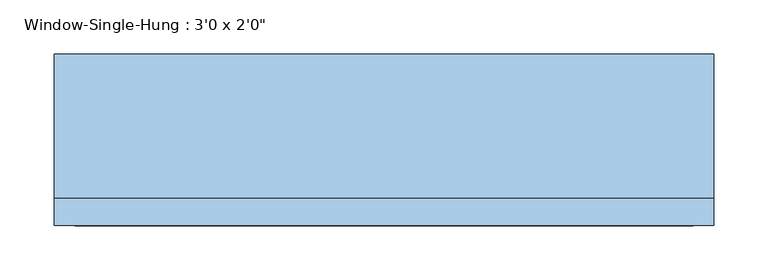
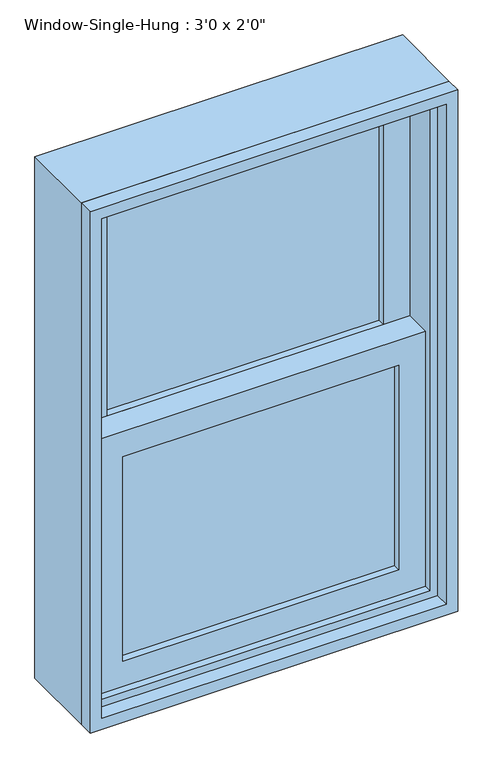
"""IFC4 building model written with IfcOpenShell, lengths in millimetres: window geometry."""

from ifc_helpers import new_model, si_unit, frame, origin, place, context, project, spatial, polyline, outline, extrude, source, transform, mapped, element, save


def window_42b85bdf(model_context):
    return source(origin(), model_context, "Body", "SweptSolid", [
        extrude(outline(polyline([(228.6, 0.0), (228.6, -6.35), (-228.6, -6.35), (-228.6, 0.0), (228.6, 0.0)])), frame((0.0, 0.0, 990.6), z_axis=(0.0, 0.0, 1.0), x_axis=(1.0, 0.0, 0.0)), (0.0, 0.0, 1.0), 358.775),
        extrude(outline(polyline([(-228.6, -12.7), (228.6, -12.7), (228.6, -19.05), (-228.6, -19.05), (-228.6, -12.7)])), frame((0.0, 0.0, 990.6), z_axis=(0.0, 0.0, 1.0), x_axis=(1.0, 0.0, 0.0)), (0.0, 0.0, 1.0), 358.775),
        extrude(outline(polyline([(228.6, 44.45), (228.6, 38.1), (-228.6, 38.1), (-228.6, 44.45), (228.6, 44.45)])), frame((0.0, 0.0, 1393.825), z_axis=(0.0, 0.0, 1.0), x_axis=(1.0, 0.0, 0.0)), (0.0, 0.0, 1.0), 358.775),
        extrude(outline(polyline([(-228.6, 31.75), (228.6, 31.75), (228.6, 25.4), (-228.6, 25.4), (-228.6, 31.75)])), frame((0.0, 0.0, 1393.825), z_axis=(0.0, 0.0, 1.0), x_axis=(1.0, 0.0, 0.0)), (0.0, 0.0, 1.0), 358.775),
        extrude(outline(polyline([(1393.825, -273.05), (946.15, -273.05), (946.15, 273.05), (1393.825, 273.05), (1393.825, -273.05)]), holes=[polyline([(1349.375, 228.6), (990.6, 228.6), (990.6, -228.6), (1349.375, -228.6), (1349.375, 228.6)])]), frame((0.0, -31.75, 0.0), z_axis=(0.0, 1.0, 0.0), x_axis=(0.0, 0.0, 1.0)), (0.0, 0.0, 1.0), 44.45),
        extrude(outline(polyline([(1797.05, -273.05), (1349.375, -273.05), (1349.375, 273.05), (1797.05, 273.05), (1797.05, -273.05)]), holes=[polyline([(1752.6, 228.6), (1393.825, 228.6), (1393.825, -228.6), (1752.6, -228.6), (1752.6, 228.6)])]), frame((0.0, 12.7, 0.0), z_axis=(0.0, 1.0, 0.0), x_axis=(0.0, 0.0, 1.0)), (0.0, 0.0, 1.0), 44.45),
        extrude(outline(polyline([(1828.8, -304.8), (914.4, -304.8), (914.4, 304.8), (1828.8, 304.8), (1828.8, -304.8)]), holes=[polyline([(1797.05, 273.05), (946.15, 273.05), (946.15, -273.05), (1797.05, -273.05), (1797.05, 273.05)])]), frame((0.0, -44.45, 0.0), z_axis=(0.0, 1.0, 0.0), x_axis=(0.0, 0.0, 1.0)), (0.0, 0.0, 1.0), 133.35),
        extrude(outline(polyline([(1828.8, 304.8), (1828.8, -304.8), (914.4, -304.8), (914.4, 304.8), (1828.8, 304.8)]), holes=[polyline([(1809.75, 285.75), (933.45, 285.75), (933.45, -285.75), (1809.75, -285.75), (1809.75, 285.75)])]), frame((0.0, -69.85, 0.0), z_axis=(0.0, 1.0, 0.0), x_axis=(0.0, 0.0, 1.0)), (0.0, 0.0, 1.0), 25.4),
    ])


if __name__ == "__main__":
    model = new_model("IFC4")
    model_context = context("Model", 3, world=origin())
    ifc_project = project(units=[si_unit("LENGTHUNIT", "METRE", prefix="MILLI")], contexts=[model_context])
    site = spatial("IfcSite", under=ifc_project)
    building = spatial("IfcBuilding", under=site)
    placement = place(None, origin())
    window_shape = window_42b85bdf(model_context)
    element("IfcWindow", 1, ObjectType="Window-Single-Hung : 3'0 x 2'0\"", at=placement, inside=building, context=model_context, shape_type="MappedRepresentation", body=[
        mapped(window_shape, transform((0.0, 0.0, 0.0), x_axis=(1.0, 0.0, 0.0), y_axis=(0.0, 1.0, 0.0), z_axis=(0.0, 0.0, 1.0))),
    ])
    save(model, "model.ifc")
